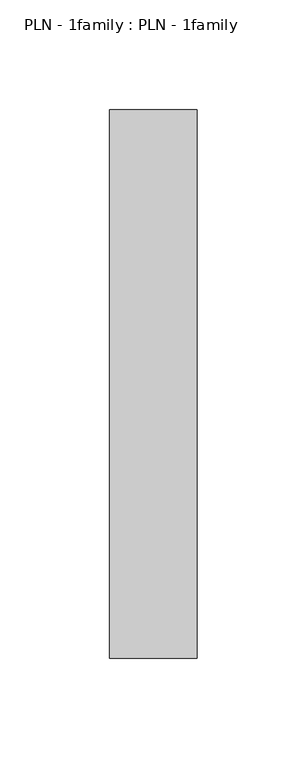
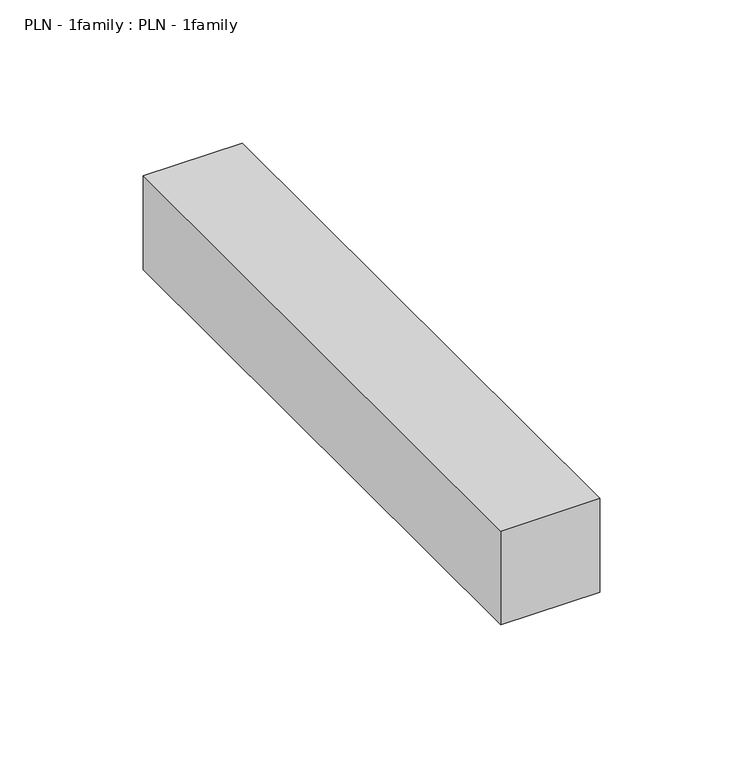
"""IFC4 building model written with IfcOpenShell, lengths in millimetres: proxy geometry, PLN - 1family : PLN - 1family."""

from ifc_helpers import new_model, si_unit, frame, origin, place, context, project, spatial, polyline, outline, extrude, source, transform, mapped, element, save


def pln_1family_pln_1family_3bfda860(model_context):
    return source(origin(), model_context, "Body", "SweptSolid", [
        extrude(outline(polyline([(0.0, 250.0), (40.0, 250.0), (40.0, 0.0), (0.0, 0.0), (0.0, 250.0)])), frame((0.0, 0.0, 200.0), z_axis=(0.0, 0.0, 1.0), x_axis=(1.0, 0.0, 0.0)), (0.0, 0.0, 1.0), 40.0),
    ])


if __name__ == "__main__":
    model = new_model("IFC4")
    model_context = context("Model", 3, world=origin())
    ifc_project = project(units=[si_unit("LENGTHUNIT", "METRE", prefix="MILLI")], contexts=[model_context])
    site = spatial("IfcSite", under=ifc_project)
    building = spatial("IfcBuilding", under=site)
    placement = place(None, origin())
    pln_1family_pln_1family_shape = pln_1family_pln_1family_3bfda860(model_context)
    element("IfcBuildingElementProxy", 1, Name="PLN - 1family : PLN - 1family", ObjectType="PLN - 1family : PLN - 1family", at=placement, inside=building, context=model_context, shape_type="MappedRepresentation", body=[
        mapped(pln_1family_pln_1family_shape, transform((0.0, 0.0, 0.0), x_axis=(1.0, 0.0, 0.0), y_axis=(0.0, 1.0, 0.0), z_axis=(0.0, 0.0, 1.0))),
    ])
    save(model, "model.ifc")
